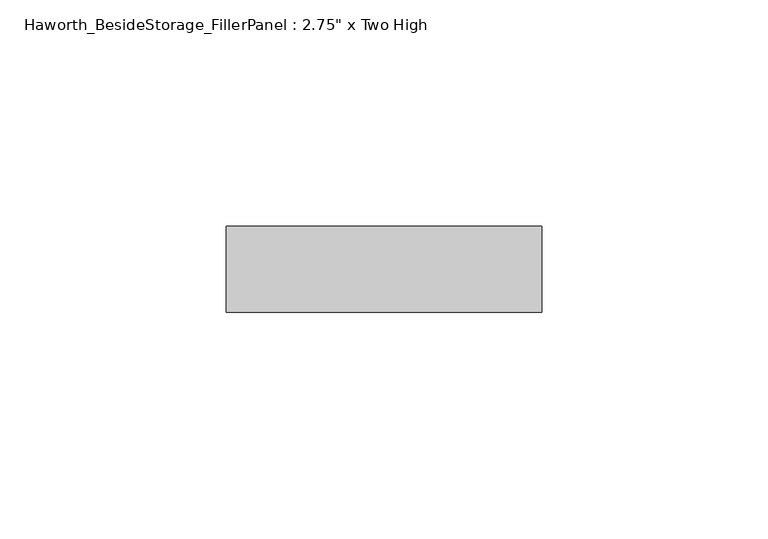
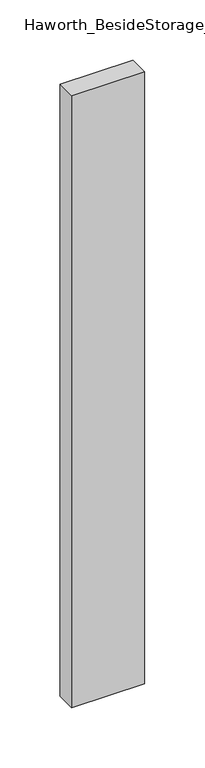
"""IFC4 building model written with IfcOpenShell, lengths in millimetres: furniture geometry."""

from ifc_helpers import new_model, si_unit, frame, origin, place, context, project, spatial, polyline, outline, extrude, source, transform, mapped, element, save


def furniture_3c807880(model_context):
    return source(origin(), model_context, "Body", "SweptSolid", [
        extrude(outline(polyline([(336.55, 247.8645843), (336.55, 228.8145843), (266.7, 228.8145843), (266.7, 247.8645843), (336.55, 247.8645843)])), frame((0.0, 0.0, 44.45), z_axis=(0.0, 0.0, 1.0), x_axis=(1.0, 0.0, 0.0)), (0.0, 0.0, 1.0), 619.125),
    ])


if __name__ == "__main__":
    model = new_model("IFC4")
    model_context = context("Model", 3, world=origin())
    ifc_project = project(units=[si_unit("LENGTHUNIT", "METRE", prefix="MILLI")], contexts=[model_context])
    site = spatial("IfcSite", under=ifc_project)
    building = spatial("IfcBuilding", under=site)
    placement = place(None, origin())
    furniture_shape = furniture_3c807880(model_context)
    element("IfcFurniture", 1, ObjectType="Haworth_BesideStorage_FillerPanel : 2.75\" x Two High", at=placement, inside=building, context=model_context, shape_type="MappedRepresentation", body=[
        mapped(furniture_shape, transform((0.0, 0.0, 0.0), x_axis=(1.0, 0.0, 0.0), y_axis=(0.0, 1.0, 0.0), z_axis=(0.0, 0.0, 1.0))),
    ])
    save(model, "model.ifc")
